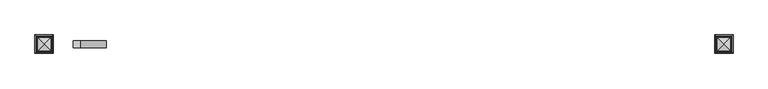
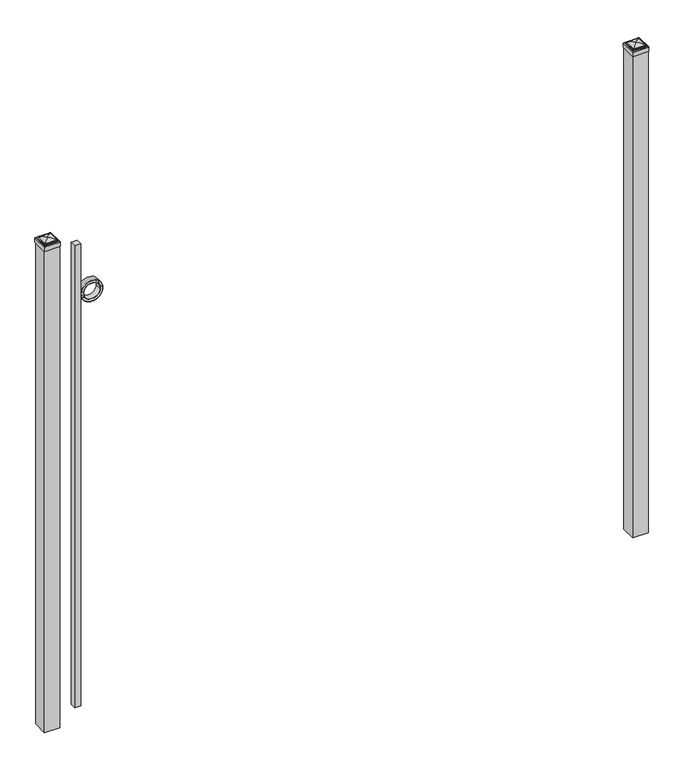
"""IFC4 building model written with IfcOpenShell, lengths in millimetres: railing geometry."""

from ifc_helpers import new_model, si_unit, point, frame, frame_2d, origin, origin_with_axes, place, context, project, spatial, polyline, circle_curve, ellipse_curve, trimmed, segment, composite_curve, outline, extrude, source, transform, mapped, element, save
from ifc_brep_helpers import plane_surface, cylinder_surface, advanced_brep


def railing_b1e6edd1(model_context):
    return source(origin(), model_context, "Body", "SolidModel", [
        extrude(outline(polyline([(-23766.6899936, 8857.619541), (-23741.2899936, 8857.619541), (-23741.2899936, 8832.219541), (-23766.6899936, 8832.219541), (-23766.6899936, 8857.619541)])), frame((0.0, 0.0, 50.8), z_axis=(0.0, 0.0, 1.0), x_axis=(1.0, 0.0, 0.0)), (0.0, 0.0, 1.0), 2023.2579232),
        extrude(outline(composite_curve([segment(trimmed(circle_curve(frame_2d((1851.7853669, -23695.1942595)), 45.6988591), [point((1851.7853669, -23649.4954004))], [point((1851.7853669, -23740.8931186))], False, "CARTESIAN"), True, "CONTINUOUS"), segment(trimmed(circle_curve(frame_2d((1851.7853669, -23695.1942595)), 45.6988591), [point((1851.7853669, -23740.8931186))], [point((1851.7853669, -23649.4954004))], False, "CARTESIAN"), True, "CONTINUOUS")], self_intersect=False), holes=[composite_curve([segment(trimmed(circle_curve(frame_2d((1851.7853669, -23695.1942595)), 44.101539), [point((1851.7853669, -23651.0927205))], [point((1851.7853669, -23739.2957985))], True, "CARTESIAN"), True, "CONTINUOUS"), segment(trimmed(circle_curve(frame_2d((1851.7853669, -23695.1942595)), 44.101539), [point((1851.7853669, -23739.2957985))], [point((1851.7853669, -23651.0927205))], True, "CARTESIAN"), True, "CONTINUOUS")], self_intersect=False)]), frame((0.0, 8832.219541, 0.0), z_axis=(0.0, 1.0, 0.0), x_axis=(0.0, 0.0, 1.0)), (0.0, 0.0, 1.0), 25.4),
        extrude(outline(composite_curve([segment(trimmed(circle_curve(frame_2d((1851.7853669, -23695.1942595)), 34.6370762), [point((1851.7853669, -23660.5571833))], [point((1851.7853669, -23729.8313357))], False, "CARTESIAN"), True, "CONTINUOUS"), segment(trimmed(circle_curve(frame_2d((1851.7853669, -23695.1942595)), 34.6370762), [point((1851.7853669, -23729.8313357))], [point((1851.7853669, -23660.5571833))], False, "CARTESIAN"), True, "CONTINUOUS")], self_intersect=False), holes=[composite_curve([segment(trimmed(circle_curve(frame_2d((1851.7853669, -23695.1942595)), 33.0443887), [point((1851.7853669, -23662.1498708))], [point((1851.7853669, -23728.2386482))], True, "CARTESIAN"), True, "CONTINUOUS"), segment(trimmed(circle_curve(frame_2d((1851.7853669, -23695.1942595)), 33.0443887), [point((1851.7853669, -23728.2386482))], [point((1851.7853669, -23662.1498708))], True, "CARTESIAN"), True, "CONTINUOUS")], self_intersect=False)]), frame((0.0, 8832.219541, 0.0), z_axis=(0.0, 1.0, 0.0), x_axis=(0.0, 0.0, 1.0)), (0.0, 0.0, 1.0), 25.4),
        extrude(outline(polyline([(-21401.3149936, 8876.669541), (-21401.3149936, 8813.169541), (-21464.8149936, 8813.169541), (-21464.8149936, 8876.669541), (-21401.3149936, 8876.669541)])), origin_with_axes(), (0.0, 0.0, 1.0), 2109.7875),
        advanced_brep(
        [(-21466.4024936, 8878.257041, 2128.04375), (-21466.4024936, 8878.257041, 2109.7875), (-21466.4024936, 8811.582041, 2109.7875), (-21466.4024936, 8811.582041, 2128.04375), (-21464.0212436, 8875.875791, 2130.425), (-21464.0212436, 8813.963291, 2130.425), (-21461.6399936, 8873.494541, 2132.80625), (-21461.6399936, 8873.494541, 2130.425), (-21461.6399936, 8816.344541, 2130.425), (-21461.6399936, 8816.344541, 2132.80625), (-21459.2587436, 8871.113291, 2135.1875), (-21459.2587436, 8818.725791, 2135.1875), (-21433.0649936, 8844.919541, 2141.5375), (-21456.8774936, 8868.732041, 2135.1875), (-21456.8774936, 8821.107041, 2135.1875), (-21399.7274936, 8811.582041, 2109.7875), (-21399.7274936, 8811.582041, 2128.04375), (-21402.1087436, 8813.963291, 2130.425), (-21404.4899936, 8816.344541, 2130.425), (-21404.4899936, 8816.344541, 2132.80625), (-21406.8712436, 8818.725791, 2135.1875), (-21409.2524936, 8821.107041, 2135.1875), (-21399.7274936, 8878.257041, 2109.7875), (-21399.7274936, 8878.257041, 2128.04375), (-21402.1087436, 8875.875791, 2130.425), (-21404.4899936, 8873.494541, 2130.425), (-21404.4899936, 8873.494541, 2132.80625), (-21406.8712436, 8871.113291, 2135.1875), (-21409.2524936, 8868.732041, 2135.1875)],
        [
            (0, 1),
            (1, 2),
            (2, 3),
            (3, 0),
            (4, 0, ellipse_curve(frame((-21464.0212436, 8875.875791, 2128.04375), z_axis=(-0.70710678118655, -0.7071067811865449, 0.0), x_axis=(-0.7071067811865448, 0.7071067811865501, 0.0)), 3.367596, 2.38125)),
            (3, 5, ellipse_curve(frame((-21464.0212436, 8813.963291, 2128.04375), z_axis=(-0.7071067811865449, 0.70710678118655, 0.0), x_axis=(0.7071067811865499, 0.707106781186545, 0.0)), 3.367596, 2.38125)),
            (5, 4),
            (6, 7),
            (7, 8),
            (8, 9),
            (9, 6),
            (10, 6, ellipse_curve(frame((-21459.2587436, 8871.113291, 2132.80625), z_axis=(-0.70710678118655, -0.7071067811865449, 0.0), x_axis=(-0.7071067811865448, 0.7071067811865501, 0.0)), 3.367596, 2.38125)),
            (9, 11, ellipse_curve(frame((-21459.2587436, 8818.725791, 2132.80625), z_axis=(-0.7071067811865449, 0.70710678118655, 0.0), x_axis=(0.7071067811865499, 0.707106781186545, 0.0)), 3.367596, 2.38125)),
            (11, 10),
            (12, 13, ellipse_curve(frame((-21433.0649936, 8844.919541, 2093.7140625), z_axis=(-0.70710678118655, -0.7071067811865449, 0.0), x_axis=(-0.7071067811865448, 0.7071067811865501, 0.0)), 67.6325539, 47.8234375)),
            (13, 14),
            (14, 12, ellipse_curve(frame((-21433.0649936, 8844.919541, 2093.7140625), z_axis=(-0.7071067811865449, 0.70710678118655, 0.0), x_axis=(0.7071067811865499, 0.707106781186545, 0.0)), 67.6325539, 47.8234375)),
            (2, 15),
            (15, 16),
            (16, 3),
            (16, 17, ellipse_curve(frame((-21402.1087436, 8813.963291, 2128.04375), z_axis=(-0.70710678118655, -0.707106781186545, 0.0), x_axis=(-0.707106781186545, 0.70710678118655, 0.0)), 3.367596, 2.38125)),
            (17, 5),
            (8, 18),
            (18, 19),
            (19, 9),
            (19, 20, ellipse_curve(frame((-21406.8712436, 8818.725791, 2132.80625), z_axis=(-0.70710678118655, -0.707106781186545, 0.0), x_axis=(-0.707106781186545, 0.70710678118655, 0.0)), 3.367596, 2.38125)),
            (20, 11),
            (14, 21),
            (21, 12, ellipse_curve(frame((-21433.0649936, 8844.919541, 2093.7140625), z_axis=(-0.70710678118655, -0.707106781186545, 0.0), x_axis=(-0.707106781186545, 0.70710678118655, 0.0)), 67.6325539, 47.8234375)),
            (15, 22),
            (22, 23),
            (23, 16),
            (23, 24, ellipse_curve(frame((-21402.1087436, 8875.875791, 2128.04375), z_axis=(0.707106781186545, -0.7071067811865499, 0.0), x_axis=(-0.7071067811865497, -0.7071067811865452, 0.0)), 3.367596, 2.38125)),
            (24, 17),
            (18, 25),
            (25, 26),
            (26, 19),
            (26, 27, ellipse_curve(frame((-21406.8712436, 8871.113291, 2132.80625), z_axis=(0.707106781186545, -0.7071067811865499, 0.0), x_axis=(-0.7071067811865497, -0.7071067811865452, 0.0)), 3.367596, 2.38125)),
            (27, 20),
            (21, 28),
            (28, 12, ellipse_curve(frame((-21433.0649936, 8844.919541, 2093.7140625), z_axis=(0.707106781186545, -0.7071067811865499, 0.0), x_axis=(-0.7071067811865497, -0.7071067811865452, 0.0)), 67.6325539, 47.8234375)),
            (22, 1),
            (0, 23),
            (4, 24),
            (7, 25),
            (6, 26),
            (10, 27),
            (13, 28),
        ],
        [
            plane_surface(frame((-21466.4024936, 8878.257041, 2109.7875), z_axis=(-1.0, 0.0, 0.0), x_axis=(0.0, -1.0, 0.0))),
            cylinder_surface(frame((-21464.0212436, 8876.669541, 2128.04375), z_axis=(0.0, 1.0, 0.0), x_axis=(1.0, 0.0, 0.0)), 2.38125),
            plane_surface(frame((-21461.6399936, 8873.494541, 2130.425), z_axis=(-1.0, 0.0, 0.0), x_axis=(0.0, -1.0, 0.0))),
            cylinder_surface(frame((-21459.2587436, 8876.669541, 2132.80625), z_axis=(0.0, 1.0, 0.0), x_axis=(1.0, 0.0, 0.0)), 2.38125),
            cylinder_surface(frame((-21433.0649936, 8876.669541, 2093.7140625), z_axis=(0.0, 1.0, 0.0), x_axis=(1.0, 0.0, 0.0)), 47.8234375),
            plane_surface(frame((-21466.4024936, 8811.582041, 2109.7875), z_axis=(0.0, -1.0, 0.0), x_axis=(1.0, 0.0, 0.0))),
            cylinder_surface(frame((-21464.8149936, 8813.963291, 2128.04375), z_axis=(-1.0, 0.0, 0.0), x_axis=(0.0, 1.0, 0.0)), 2.38125),
            plane_surface(frame((-21461.6399936, 8816.344541, 2130.425), z_axis=(0.0, -1.0, 0.0), x_axis=(1.0, 0.0, 0.0))),
            cylinder_surface(frame((-21464.8149936, 8818.725791, 2132.80625), z_axis=(-1.0, 0.0, 0.0), x_axis=(0.0, 1.0, 0.0)), 2.38125),
            cylinder_surface(frame((-21464.8149936, 8844.919541, 2093.7140625), z_axis=(-1.0, 0.0, 0.0), x_axis=(0.0, 1.0, 0.0)), 47.8234375),
            plane_surface(frame((-21399.7274936, 8811.582041, 2109.7875), z_axis=(1.0, 0.0, 0.0), x_axis=(0.0, 1.0, 0.0))),
            cylinder_surface(frame((-21402.1087436, 8813.169541, 2128.04375), z_axis=(0.0, -1.0, 0.0), x_axis=(-1.0, 0.0, 0.0)), 2.38125),
            plane_surface(frame((-21404.4899936, 8816.344541, 2130.425), z_axis=(1.0, 0.0, 0.0), x_axis=(0.0, 1.0, 0.0))),
            cylinder_surface(frame((-21406.8712436, 8813.169541, 2132.80625), z_axis=(0.0, -1.0, 0.0), x_axis=(-1.0, 0.0, 0.0)), 2.38125),
            cylinder_surface(frame((-21433.0649936, 8813.169541, 2093.7140625), z_axis=(0.0, -1.0, 0.0), x_axis=(-1.0, 0.0, 0.0)), 47.8234375),
            plane_surface(frame((-21399.7274936, 8878.257041, 2109.7875), z_axis=(0.0, 1.0, 0.0), x_axis=(-1.0, 0.0, 0.0))),
            cylinder_surface(frame((-21401.3149936, 8875.875791, 2128.04375), z_axis=(1.0, 0.0, 0.0), x_axis=(0.0, -1.0, 0.0)), 2.38125),
            plane_surface(frame((-21402.1087436, 8875.875791, 2130.425), z_axis=(0.0, 0.0, 1.0), x_axis=(-1.0, 0.0, 0.0))),
            plane_surface(frame((-21404.4899936, 8873.494541, 2130.425), z_axis=(0.0, 1.0, 0.0), x_axis=(-1.0, 0.0, 0.0))),
            cylinder_surface(frame((-21401.3149936, 8871.113291, 2132.80625), z_axis=(1.0, 0.0, 0.0), x_axis=(0.0, -1.0, 0.0)), 2.38125),
            plane_surface(frame((-21406.8712436, 8871.113291, 2135.1875), z_axis=(0.0, 0.0, 1.0), x_axis=(-1.0, 0.0, 0.0))),
            cylinder_surface(frame((-21401.3149936, 8844.919541, 2093.7140625), z_axis=(1.0, 0.0, 0.0), x_axis=(0.0, -1.0, 0.0)), 47.8234375),
            plane_surface(frame((-21433.0649936, 8844.919541, 2109.7875), z_axis=(0.0, 0.0, -1.0), x_axis=(-1.0, 0.0, 0.0))),
        ],
        [
            (0, [[1, 2, 3, 4]]),
            (1, [[5, -4, 6, 7]]),
            (2, [[8, 9, 10, 11]]),
            (3, [[12, -11, 13, 14]]),
            (4, [[15, 16, 17]]),
            (5, [[-3, 18, 19, 20]]),
            (6, [[-6, -20, 21, 22]]),
            (7, [[-10, 23, 24, 25]]),
            (8, [[-13, -25, 26, 27]]),
            (9, [[-17, 28, 29]]),
            (10, [[-19, 30, 31, 32]]),
            (11, [[-21, -32, 33, 34]]),
            (12, [[-24, 35, 36, 37]]),
            (13, [[-26, -37, 38, 39]]),
            (14, [[-29, 40, 41]]),
            (15, [[-31, 42, -1, 43]]),
            (16, [[-33, -43, -5, 44]]),
            (17, [[-22, -34, -44, -7], [45, -35, -23, -9]]),
            (18, [[-36, -45, -8, 46]]),
            (19, [[-38, -46, -12, 47]]),
            (20, [[-27, -39, -47, -14], [48, -40, -28, -16]]),
            (21, [[-41, -48, -15]]),
            (22, [[-42, -30, -18, -2]]),
        ],
    ),
        extrude(outline(polyline([(-23839.7149936, 8876.669541), (-23839.7149936, 8813.169541), (-23903.2149936, 8813.169541), (-23903.2149936, 8876.669541), (-23839.7149936, 8876.669541)])), origin_with_axes(), (0.0, 0.0, 1.0), 2109.7875),
        advanced_brep(
        [(-23904.8024936, 8878.257041, 2128.04375), (-23904.8024936, 8878.257041, 2109.7875), (-23904.8024936, 8811.582041, 2109.7875), (-23904.8024936, 8811.582041, 2128.04375), (-23902.4212436, 8875.875791, 2130.425), (-23902.4212436, 8813.963291, 2130.425), (-23900.0399936, 8873.494541, 2132.80625), (-23900.0399936, 8873.494541, 2130.425), (-23900.0399936, 8816.344541, 2130.425), (-23900.0399936, 8816.344541, 2132.80625), (-23897.6587436, 8871.113291, 2135.1875), (-23897.6587436, 8818.725791, 2135.1875), (-23871.4649936, 8844.919541, 2141.5375), (-23895.2774936, 8868.732041, 2135.1875), (-23895.2774936, 8821.107041, 2135.1875), (-23838.1274936, 8811.582041, 2109.7875), (-23838.1274936, 8811.582041, 2128.04375), (-23840.5087436, 8813.963291, 2130.425), (-23842.8899936, 8816.344541, 2130.425), (-23842.8899936, 8816.344541, 2132.80625), (-23845.2712436, 8818.725791, 2135.1875), (-23847.6524936, 8821.107041, 2135.1875), (-23838.1274936, 8878.257041, 2109.7875), (-23838.1274936, 8878.257041, 2128.04375), (-23840.5087436, 8875.875791, 2130.425), (-23842.8899936, 8873.494541, 2130.425), (-23842.8899936, 8873.494541, 2132.80625), (-23845.2712436, 8871.113291, 2135.1875), (-23847.6524936, 8868.732041, 2135.1875)],
        [
            (0, 1),
            (1, 2),
            (2, 3),
            (3, 0),
            (4, 0, ellipse_curve(frame((-23902.4212436, 8875.875791, 2128.04375), z_axis=(-0.70710678118655, -0.7071067811865449, 0.0), x_axis=(-0.7071067811865448, 0.7071067811865501, 0.0)), 3.367596, 2.38125)),
            (3, 5, ellipse_curve(frame((-23902.4212436, 8813.963291, 2128.04375), z_axis=(-0.7071067811865449, 0.70710678118655, 0.0), x_axis=(0.7071067811865499, 0.707106781186545, 0.0)), 3.367596, 2.38125)),
            (5, 4),
            (6, 7),
            (7, 8),
            (8, 9),
            (9, 6),
            (10, 6, ellipse_curve(frame((-23897.6587436, 8871.113291, 2132.80625), z_axis=(-0.70710678118655, -0.7071067811865449, 0.0), x_axis=(-0.7071067811865448, 0.7071067811865501, 0.0)), 3.367596, 2.38125)),
            (9, 11, ellipse_curve(frame((-23897.6587436, 8818.725791, 2132.80625), z_axis=(-0.7071067811865449, 0.70710678118655, 0.0), x_axis=(0.7071067811865499, 0.707106781186545, 0.0)), 3.367596, 2.38125)),
            (11, 10),
            (12, 13, ellipse_curve(frame((-23871.4649936, 8844.919541, 2093.7140625), z_axis=(-0.70710678118655, -0.7071067811865449, 0.0), x_axis=(-0.7071067811865448, 0.7071067811865501, 0.0)), 67.6325539, 47.8234375)),
            (13, 14),
            (14, 12, ellipse_curve(frame((-23871.4649936, 8844.919541, 2093.7140625), z_axis=(-0.7071067811865449, 0.70710678118655, 0.0), x_axis=(0.7071067811865499, 0.707106781186545, 0.0)), 67.6325539, 47.8234375)),
            (2, 15),
            (15, 16),
            (16, 3),
            (16, 17, ellipse_curve(frame((-23840.5087436, 8813.963291, 2128.04375), z_axis=(-0.70710678118655, -0.707106781186545, 0.0), x_axis=(-0.707106781186545, 0.70710678118655, 0.0)), 3.367596, 2.38125)),
            (17, 5),
            (8, 18),
            (18, 19),
            (19, 9),
            (19, 20, ellipse_curve(frame((-23845.2712436, 8818.725791, 2132.80625), z_axis=(-0.70710678118655, -0.707106781186545, 0.0), x_axis=(-0.707106781186545, 0.70710678118655, 0.0)), 3.367596, 2.38125)),
            (20, 11),
            (14, 21),
            (21, 12, ellipse_curve(frame((-23871.4649936, 8844.919541, 2093.7140625), z_axis=(-0.70710678118655, -0.707106781186545, 0.0), x_axis=(-0.707106781186545, 0.70710678118655, 0.0)), 67.6325539, 47.8234375)),
            (15, 22),
            (22, 23),
            (23, 16),
            (23, 24, ellipse_curve(frame((-23840.5087436, 8875.875791, 2128.04375), z_axis=(0.707106781186545, -0.7071067811865499, 0.0), x_axis=(-0.7071067811865497, -0.7071067811865452, 0.0)), 3.367596, 2.38125)),
            (24, 17),
            (18, 25),
            (25, 26),
            (26, 19),
            (26, 27, ellipse_curve(frame((-23845.2712436, 8871.113291, 2132.80625), z_axis=(0.707106781186545, -0.7071067811865499, 0.0), x_axis=(-0.7071067811865497, -0.7071067811865452, 0.0)), 3.367596, 2.38125)),
            (27, 20),
            (21, 28),
            (28, 12, ellipse_curve(frame((-23871.4649936, 8844.919541, 2093.7140625), z_axis=(0.707106781186545, -0.7071067811865499, 0.0), x_axis=(-0.7071067811865497, -0.7071067811865452, 0.0)), 67.6325539, 47.8234375)),
            (22, 1),
            (0, 23),
            (4, 24),
            (7, 25),
            (6, 26),
            (10, 27),
            (13, 28),
        ],
        [
            plane_surface(frame((-23904.8024936, 8878.257041, 2109.7875), z_axis=(-1.0, 0.0, 0.0), x_axis=(0.0, -1.0, 0.0))),
            cylinder_surface(frame((-23902.4212436, 8876.669541, 2128.04375), z_axis=(0.0, 1.0, 0.0), x_axis=(1.0, 0.0, 0.0)), 2.38125),
            plane_surface(frame((-23900.0399936, 8873.494541, 2130.425), z_axis=(-1.0, 0.0, 0.0), x_axis=(0.0, -1.0, 0.0))),
            cylinder_surface(frame((-23897.6587436, 8876.669541, 2132.80625), z_axis=(0.0, 1.0, 0.0), x_axis=(1.0, 0.0, 0.0)), 2.38125),
            cylinder_surface(frame((-23871.4649936, 8876.669541, 2093.7140625), z_axis=(0.0, 1.0, 0.0), x_axis=(1.0, 0.0, 0.0)), 47.8234375),
            plane_surface(frame((-23904.8024936, 8811.582041, 2109.7875), z_axis=(0.0, -1.0, 0.0), x_axis=(1.0, 0.0, 0.0))),
            cylinder_surface(frame((-23903.2149936, 8813.963291, 2128.04375), z_axis=(-1.0, 0.0, 0.0), x_axis=(0.0, 1.0, 0.0)), 2.38125),
            plane_surface(frame((-23900.0399936, 8816.344541, 2130.425), z_axis=(0.0, -1.0, 0.0), x_axis=(1.0, 0.0, 0.0))),
            cylinder_surface(frame((-23903.2149936, 8818.725791, 2132.80625), z_axis=(-1.0, 0.0, 0.0), x_axis=(0.0, 1.0, 0.0)), 2.38125),
            cylinder_surface(frame((-23903.2149936, 8844.919541, 2093.7140625), z_axis=(-1.0, 0.0, 0.0), x_axis=(0.0, 1.0, 0.0)), 47.8234375),
            plane_surface(frame((-23838.1274936, 8811.582041, 2109.7875), z_axis=(1.0, 0.0, 0.0), x_axis=(0.0, 1.0, 0.0))),
            cylinder_surface(frame((-23840.5087436, 8813.169541, 2128.04375), z_axis=(0.0, -1.0, 0.0), x_axis=(-1.0, 0.0, 0.0)), 2.38125),
            plane_surface(frame((-23842.8899936, 8816.344541, 2130.425), z_axis=(1.0, 0.0, 0.0), x_axis=(0.0, 1.0, 0.0))),
            cylinder_surface(frame((-23845.2712436, 8813.169541, 2132.80625), z_axis=(0.0, -1.0, 0.0), x_axis=(-1.0, 0.0, 0.0)), 2.38125),
            cylinder_surface(frame((-23871.4649936, 8813.169541, 2093.7140625), z_axis=(0.0, -1.0, 0.0), x_axis=(-1.0, 0.0, 0.0)), 47.8234375),
            plane_surface(frame((-23838.1274936, 8878.257041, 2109.7875), z_axis=(0.0, 1.0, 0.0), x_axis=(-1.0, 0.0, 0.0))),
            cylinder_surface(frame((-23839.7149936, 8875.875791, 2128.04375), z_axis=(1.0, 0.0, 0.0), x_axis=(0.0, -1.0, 0.0)), 2.38125),
            plane_surface(frame((-23840.5087436, 8875.875791, 2130.425), z_axis=(0.0, 0.0, 1.0), x_axis=(-1.0, 0.0, 0.0))),
            plane_surface(frame((-23842.8899936, 8873.494541, 2130.425), z_axis=(0.0, 1.0, 0.0), x_axis=(-1.0, 0.0, 0.0))),
            cylinder_surface(frame((-23839.7149936, 8871.113291, 2132.80625), z_axis=(1.0, 0.0, 0.0), x_axis=(0.0, -1.0, 0.0)), 2.38125),
            plane_surface(frame((-23845.2712436, 8871.113291, 2135.1875), z_axis=(0.0, 0.0, 1.0), x_axis=(-1.0, 0.0, 0.0))),
            cylinder_surface(frame((-23839.7149936, 8844.919541, 2093.7140625), z_axis=(1.0, 0.0, 0.0), x_axis=(0.0, -1.0, 0.0)), 47.8234375),
            plane_surface(frame((-23871.4649936, 8844.919541, 2109.7875), z_axis=(0.0, 0.0, -1.0), x_axis=(-1.0, 0.0, 0.0))),
        ],
        [
            (0, [[1, 2, 3, 4]]),
            (1, [[5, -4, 6, 7]]),
            (2, [[8, 9, 10, 11]]),
            (3, [[12, -11, 13, 14]]),
            (4, [[15, 16, 17]]),
            (5, [[-3, 18, 19, 20]]),
            (6, [[-6, -20, 21, 22]]),
            (7, [[-10, 23, 24, 25]]),
            (8, [[-13, -25, 26, 27]]),
            (9, [[-17, 28, 29]]),
            (10, [[-19, 30, 31, 32]]),
            (11, [[-21, -32, 33, 34]]),
            (12, [[-24, 35, 36, 37]]),
            (13, [[-26, -37, 38, 39]]),
            (14, [[-29, 40, 41]]),
            (15, [[-31, 42, -1, 43]]),
            (16, [[-33, -43, -5, 44]]),
            (17, [[-22, -34, -44, -7], [45, -35, -23, -9]]),
            (18, [[-36, -45, -8, 46]]),
            (19, [[-38, -46, -12, 47]]),
            (20, [[-27, -39, -47, -14], [48, -40, -28, -16]]),
            (21, [[-41, -48, -15]]),
            (22, [[-42, -30, -18, -2]]),
        ],
    ),
    ])


if __name__ == "__main__":
    model = new_model("IFC4")
    model_context = context("Model", 3, world=origin())
    ifc_project = project(units=[si_unit("LENGTHUNIT", "METRE", prefix="MILLI")], contexts=[model_context])
    site = spatial("IfcSite", under=ifc_project)
    building = spatial("IfcBuilding", under=site)
    placement = place(None, origin())
    railing_shape = railing_b1e6edd1(model_context)
    element("IfcRailing", 1, at=placement, inside=building, context=model_context, shape_type="MappedRepresentation", body=[
        mapped(railing_shape, transform((0.0, 0.0, 0.0), x_axis=(1.0, 0.0, 0.0), y_axis=(0.0, 1.0, 0.0), z_axis=(0.0, 0.0, 1.0))),
    ])
    save(model, "model.ifc")
